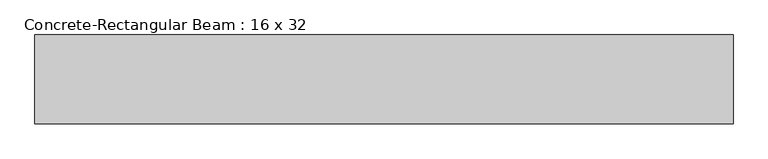
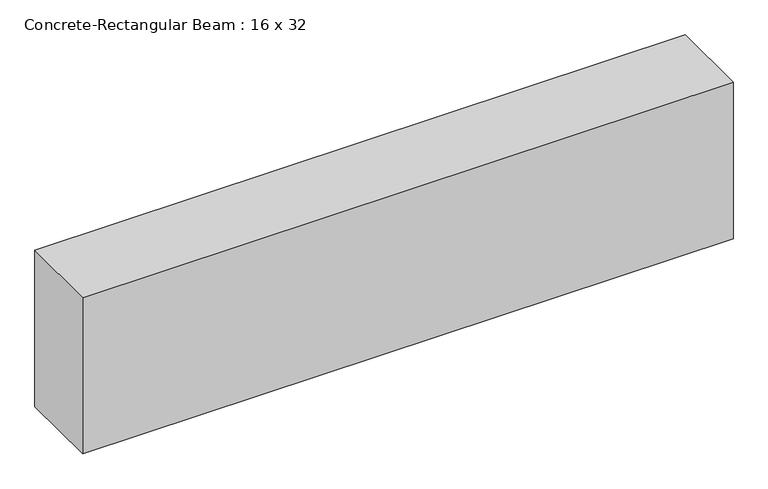
"""IFC4 building model written with IfcOpenShell, lengths in millimetres: beam geometry, Concrete-Rectangular Beam : 16 x 32."""

from ifc_helpers import new_model, si_unit, frame, origin, place, context, project, spatial, polyline, outline, extrude, source, transform, mapped, element, save


def concrete_rectangular_beam_16_x_32_b39f312d(model_context):
    return source(origin(), model_context, "Body", "SweptSolid", [
        extrude(outline(polyline([(1600.2, 203.2), (1600.2, -203.2), (-1600.2, -203.2), (-1600.2, 203.2), (1600.2, 203.2)])), frame((0.0, 0.0, -406.4), z_axis=(0.0, 0.0, 1.0), x_axis=(1.0, 0.0, 0.0)), (0.0, 0.0, 1.0), 812.8),
    ])


if __name__ == "__main__":
    model = new_model("IFC4")
    model_context = context("Model", 3, world=origin())
    ifc_project = project(units=[si_unit("LENGTHUNIT", "METRE", prefix="MILLI")], contexts=[model_context])
    site = spatial("IfcSite", under=ifc_project)
    building = spatial("IfcBuilding", under=site)
    placement = place(None, origin())
    concrete_rectangular_beam_16_x_32_shape = concrete_rectangular_beam_16_x_32_b39f312d(model_context)
    element("IfcBeam", 1, ObjectType="Concrete-Rectangular Beam : 16 x 32", at=placement, inside=building, context=model_context, shape_type="MappedRepresentation", body=[
        mapped(concrete_rectangular_beam_16_x_32_shape, transform((0.0, 0.0, 0.0), x_axis=(1.0, 0.0, 0.0), y_axis=(0.0, 1.0, 0.0), z_axis=(0.0, 0.0, 1.0))),
    ])
    save(model, "model.ifc")
